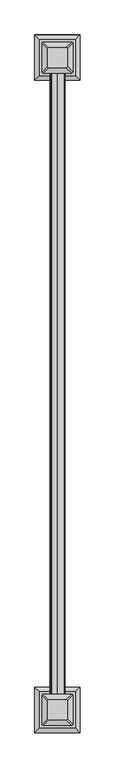
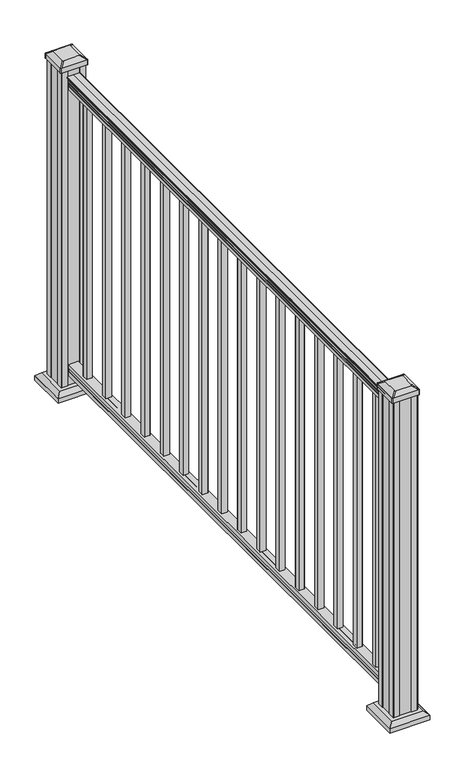
"""IFC4 building model written with IfcOpenShell, lengths in millimetres: railing geometry."""

import ifcopenshell
import ifcopenshell.guid

model = None  # the IFC model being written
_history = None  # IfcOwnerHistory: only IFC2X3 demands one
_inside = {}  # id of a spatial element -> (the spatial element, [elements in it])
_under = {}  # id of a project, library or spatial element -> (it, [spatial elements below it])
_declared = {}  # id of a project -> (the project, [libraries it declares])
_typed = {}  # id of a type object -> (the type object, [elements of that type])
_made_of = {}  # id of a material, layer set ... -> (it, [elements and type objects made of it])


def new_model(schema):
    """Start an empty IFC model of exactly this schema.

    Asked for "IFC4X3", IfcOpenShell would pick the latest addendum, in which some entities
    have other attributes; the version numbers below select the first issue.
    IFC2X3 requires an IfcOwnerHistory on every rooted entity: one is made here for all.
    """
    global model, _history
    if schema == "IFC4X3":
        model = ifcopenshell.file(schema_version=(4, 3, 0, 0))
    else:
        model = ifcopenshell.file(schema=schema)
    _inside.clear()
    _under.clear()
    _declared.clear()
    _typed.clear()
    _made_of.clear()
    _history = None
    if model.schema == "IFC2X3":
        org = make("IfcOrganization", Name="unknown")
        user = make(
            "IfcPersonAndOrganization",
            ThePerson=make("IfcPerson", FamilyName="unknown"),
            TheOrganization=org,
        )
        app = make(
            "IfcApplication",
            ApplicationDeveloper=org,
            Version="unknown",
            ApplicationFullName="unknown",
            ApplicationIdentifier="unknown",
        )
        _history = make(
            "IfcOwnerHistory",
            OwningUser=user,
            OwningApplication=app,
            ChangeAction="ADDED",
            CreationDate=0,
        )
    return model


def make(cls, **values):
    """One entity of the class cls with the attributes given. An attribute that is None is left unset."""
    return model.create_entity(
        cls, **{name: value for name, value in values.items() if value is not None}
    )


def rooted(cls, **values):
    """An entity with a GlobalId (a new one), such as an element, a storey or a relation."""
    return make(cls, GlobalId=ifcopenshell.guid.new(), OwnerHistory=_history, **values)


def si_unit(unit_type, name, prefix=None):
    """IfcSIUnit, for example si_unit("LENGTHUNIT", "METRE", prefix="MILLI")."""
    return make("IfcSIUnit", UnitType=unit_type, Prefix=prefix, Name=name)


def assignment(units):
    """IfcUnitAssignment: the units of a project."""
    return None if units is None else make("IfcUnitAssignment", Units=units)


def point(xyz):
    """IfcCartesianPoint."""
    return None if xyz is None else make("IfcCartesianPoint", Coordinates=xyz)


def direction(xyz):
    """IfcDirection."""
    return None if xyz is None else make("IfcDirection", DirectionRatios=xyz)


def frame(location, z_axis=None, x_axis=None):
    """IfcAxis2Placement3D, a coordinate frame: its origin and axes. An axis left out is left unset."""
    return make(
        "IfcAxis2Placement3D",
        Location=point(location),
        Axis=direction(z_axis),
        RefDirection=direction(x_axis),
    )


def frame_2d(location, x_axis=None):
    """IfcAxis2Placement2D, a coordinate frame in the plane: its origin and x axis."""
    return make(
        "IfcAxis2Placement2D", Location=point(location), RefDirection=direction(x_axis)
    )


def origin():
    """The frame at (0, 0, 0) with its axes left unset."""
    return frame((0.0, 0.0, 0.0))


def origin_with_axes():
    """The frame at (0, 0, 0) with the z axis (0, 0, 1) and the x axis (1, 0, 0) written out."""
    return frame((0.0, 0.0, 0.0), z_axis=(0.0, 0.0, 1.0), x_axis=(1.0, 0.0, 0.0))


def place(relative_to, where):
    """IfcLocalPlacement: puts the frame where relative to a parent placement (None: the world)."""
    return make(
        "IfcLocalPlacement", PlacementRelTo=relative_to, RelativePlacement=where
    )


def context(
    kind, dimensions, precision=None, world=None, true_north=None, identifier=None
):
    """IfcGeometricRepresentationContext, for example the 3D "Model" context."""
    return make(
        "IfcGeometricRepresentationContext",
        ContextIdentifier=identifier,
        ContextType=kind,
        CoordinateSpaceDimension=dimensions,
        Precision=precision,
        WorldCoordinateSystem=world,
        TrueNorth=true_north,
    )


def project(units=None, contexts=None):
    """IfcProject with its units and contexts."""
    return rooted(
        "IfcProject",
        Name="project",
        RepresentationContexts=contexts,
        UnitsInContext=assignment(units),
    )


def spatial(cls, under=None, at=None, **own):
    """A site, building, storey or space (cls), placed at a placement, below another one or the project."""
    s = rooted(cls, ObjectPlacement=at, **own)
    if under is not None:
        _under.setdefault(under.id(), (under, []))[1].append(s)
    return s


def polyline(points):
    """IfcPolyline through the points."""
    return make("IfcPolyline", Points=[point(p) for p in points])


def circle_curve(where, radius):
    """IfcCircle in the frame where."""
    return make("IfcCircle", Position=where, Radius=radius)


def trimmed(basis, trim1, trim2, sense, master):
    """IfcTrimmedCurve: the piece of a basis curve between two trims."""
    return make(
        "IfcTrimmedCurve",
        BasisCurve=basis,
        Trim1=trim1,
        Trim2=trim2,
        SenseAgreement=sense,
        MasterRepresentation=master,
    )


def segment(curve, same_sense, transition):
    """IfcCompositeCurveSegment."""
    return make(
        "IfcCompositeCurveSegment",
        Transition=transition,
        SameSense=same_sense,
        ParentCurve=curve,
    )


def composite_curve(segments, self_intersect=None):
    """IfcCompositeCurve: segments joined end to end."""
    return make("IfcCompositeCurve", Segments=segments, SelfIntersect=self_intersect)


def outline(outer, holes=None, kind="AREA"):
    """IfcArbitraryClosedProfileDef: a profile drawn as a closed curve; with holes, ...WithVoids."""
    if holes is None:
        return make("IfcArbitraryClosedProfileDef", ProfileType=kind, OuterCurve=outer)
    return make(
        "IfcArbitraryProfileDefWithVoids",
        ProfileType=kind,
        OuterCurve=outer,
        InnerCurves=holes,
    )


def extrude(swept, where, along, depth):
    """IfcExtrudedAreaSolid: the profile swept, set in the frame where, extruded along a direction by depth."""
    return make(
        "IfcExtrudedAreaSolid",
        SweptArea=swept,
        Position=where,
        ExtrudedDirection=direction(along),
        Depth=depth,
    )


def faces_of(points, faces, orient=None, outer=None):
    """IfcFace entities. A face is a list of loops; a loop is a list of indices into points, from 0.

    orient and outer hold one flag for each loop. By default every Orientation is true, the
    first loop of a face is its IfcFaceOuterBound and the others are IfcFaceBound.
    """
    made = []
    for i, loops in enumerate(faces):
        bounds = []
        for j, loop in enumerate(loops):
            is_outer = j == 0 if outer is None else outer[i][j]
            bounds.append(
                make(
                    "IfcFaceOuterBound" if is_outer else "IfcFaceBound",
                    Bound=make("IfcPolyLoop", Polygon=[points[k] for k in loop]),
                    Orientation=True if orient is None else orient[i][j],
                )
            )
        made.append(make("IfcFace", Bounds=bounds))
    return made


def faceted_brep(points, faces, orient=None, outer=None, voids=None):
    """IfcFacetedBrep: a solid bounded by flat faces; with voids (closed shells), ...WithVoids."""
    shared = [point(p) for p in points]
    hull = make("IfcClosedShell", CfsFaces=faces_of(shared, faces, orient, outer))
    if voids is None:
        return make("IfcFacetedBrep", Outer=hull)
    return make(
        "IfcFacetedBrepWithVoids",
        Outer=hull,
        Voids=[
            make(cls, CfsFaces=faces_of(shared, fs, o, b)) for cls, fs, o, b in voids
        ],
    )


def shape(context_of_items, identifier, shape_type, items):
    """IfcShapeRepresentation: the items that make up one representation, for example the "Body"."""
    return make(
        "IfcShapeRepresentation",
        ContextOfItems=context_of_items,
        RepresentationIdentifier=identifier,
        RepresentationType=shape_type,
        Items=items,
    )


def source(mapping_origin, context_of_items, identifier, shape_type, items):
    """IfcRepresentationMap: a shape defined once, which mapped items show again and again."""
    return make(
        "IfcRepresentationMap",
        MappingOrigin=mapping_origin,
        MappedRepresentation=shape(context_of_items, identifier, shape_type, items),
    )


def transform(
    local_origin,
    x_axis=None,
    y_axis=None,
    z_axis=None,
    scale=None,
    scale2=None,
    scale3=None,
    uniform=True,
):
    """IfcCartesianTransformationOperator3D, or its non-uniform kind. x_axis, y_axis, z_axis: its Axis1, 2, 3."""
    if uniform:
        return make(
            "IfcCartesianTransformationOperator3D",
            Axis1=direction(x_axis),
            Axis2=direction(y_axis),
            LocalOrigin=point(local_origin),
            Scale=scale,
            Axis3=direction(z_axis),
        )
    return make(
        "IfcCartesianTransformationOperator3DnonUniform",
        Axis1=direction(x_axis),
        Axis2=direction(y_axis),
        LocalOrigin=point(local_origin),
        Scale=scale,
        Axis3=direction(z_axis),
        Scale2=scale2,
        Scale3=scale3,
    )


def mapped(mapping_source, mapping_target):
    """IfcMappedItem: shows the shape of a source again, moved by a transform."""
    return make(
        "IfcMappedItem", MappingSource=mapping_source, MappingTarget=mapping_target
    )


def made_of(thing, what):
    """Note that an element or type object is made of a material, layer set ...; save() writes the relation."""
    if what is not None:
        _made_of.setdefault(what.id(), (what, []))[1].append(thing)
    return thing


def element(
    cls,
    number,
    at=None,
    inside=None,
    cuts=None,
    type_object=None,
    material=None,
    context=None,
    identifier="Body",
    shape_type=None,
    held_by="IfcProductDefinitionShape",
    body=None,
    shapes=None,
    **own,
):
    """One element of the class cls, such as IfcWall. Its Tag is "e" and its number.

    at: its placement. inside: the storey or other place that contains it. cuts: it is an
    opening in that element (IfcRelVoidsElement). A single representation is given by context,
    identifier, shape_type and body (its items); several are given by shapes. held_by: the class
    of the entity that holds the representations. save() writes the other relations.
    """
    e = rooted(cls, Tag="e%d" % number, ObjectPlacement=at, **own)
    if body is not None:
        shapes = [shape(context, identifier, shape_type, body)]
    if shapes is not None:
        e.Representation = make(held_by, Representations=shapes)
    if inside is not None:
        _inside.setdefault(inside.id(), (inside, []))[1].append(e)
    if cuts is not None:
        rooted(
            "IfcRelVoidsElement", RelatingBuildingElement=cuts, RelatedOpeningElement=e
        )
    if type_object is not None:
        _typed.setdefault(type_object.id(), (type_object, []))[1].append(e)
    return made_of(e, material)


def aggregate(whole, parts):
    """IfcRelAggregates: a whole, such as a stair, and the parts it consists of."""
    return rooted("IfcRelAggregates", RelatingObject=whole, RelatedObjects=parts)


def save(model, path):
    """Write the relations noted so far, then the file.

    IfcRelAggregates (storeys below a building ...), IfcRelContainedInSpatialStructure (elements
    in a storey), IfcRelDefinesByType, IfcRelAssociatesMaterial and IfcRelDeclares: one each for
    every whole, place, type object, material and project.
    """
    for whole, parts in _under.values():
        aggregate(whole, parts)
    for where, things in _inside.values():
        rooted(
            "IfcRelContainedInSpatialStructure",
            RelatedElements=things,
            RelatingStructure=where,
        )
    for kind, things in _typed.values():
        rooted("IfcRelDefinesByType", RelatedObjects=things, RelatingType=kind)
    for what, things in _made_of.values():
        rooted("IfcRelAssociatesMaterial", RelatedObjects=things, RelatingMaterial=what)
    for by, libraries in _declared.values():
        rooted("IfcRelDeclares", RelatingContext=by, RelatedDefinitions=libraries)
    model.write(path)


def plane_surface(at):
    """IfcPlane: the flat surface through the origin of the frame at, square to its z axis."""
    return make("IfcPlane", Position=at)


def cylinder_surface(at, radius):
    """IfcCylindricalSurface: all points at the distance radius from the z axis of the frame at."""
    return make("IfcCylindricalSurface", Position=at, Radius=radius)


def revolved_surface(curve, axis_point, axis_direction):
    """IfcSurfaceOfRevolution: the curve turned about the line through axis_point along axis_direction."""
    return make(
        "IfcSurfaceOfRevolution",
        SweptCurve=make("IfcArbitraryOpenProfileDef", ProfileType="CURVE", Curve=curve),
        AxisPosition=make("IfcAxis1Placement", Location=point(axis_point), Axis=direction(axis_direction)),
    )


def extruded_surface(curve, direction_of_extrusion, depth):
    """IfcSurfaceOfLinearExtrusion: the curve pushed along a direction by depth."""
    return make(
        "IfcSurfaceOfLinearExtrusion",
        SweptCurve=make("IfcArbitraryOpenProfileDef", ProfileType="CURVE", Curve=curve),
        ExtrudedDirection=direction(direction_of_extrusion),
        Depth=depth,
    )


def advanced_brep(points, edges, surfaces, faces):
    """IfcAdvancedBrep: a solid bounded by faces that lie on surfaces and meet in shared edges.

    An edge is (start, end): straight between two places in points (the first is 0);
    or (start, end, curve); or (start, end, curve, False) where it runs against its curve.
    A face is (place in surfaces, loops), or (place, loops, False) where it looks against
    its surface's normal. A loop lists edges by number (the first is 1), with a minus sign
    where the edge is run from its end to its start. The first loop is the outer one.
    """
    corners = [point(p) for p in points]
    vertices = [make("IfcVertexPoint", VertexGeometry=c) for c in corners]
    made = []
    for start, end, *more in edges:
        made.append(
            make(
                "IfcEdgeCurve",
                EdgeStart=vertices[start],
                EdgeEnd=vertices[end],
                EdgeGeometry=more[0] if more else make("IfcPolyline", Points=[corners[start], corners[end]]),
                SameSense=more[1] if len(more) > 1 else True,
            )
        )
    hull = []
    for where, loops, *sense in faces:
        bounds = []
        for j, loop in enumerate(loops):
            ring = [make("IfcOrientedEdge", EdgeElement=made[abs(k) - 1], Orientation=k > 0) for k in loop]
            bounds.append(
                make(
                    "IfcFaceOuterBound" if j == 0 else "IfcFaceBound",
                    Bound=make("IfcEdgeLoop", EdgeList=ring),
                    Orientation=True,
                )
            )
        hull.append(make("IfcAdvancedFace", Bounds=bounds, FaceSurface=surfaces[where], SameSense=sense[0] if sense else True))
    return make("IfcAdvancedBrep", Outer=make("IfcClosedShell", CfsFaces=hull))


def railing_62bc4d82(model_context):
    return source(origin(), model_context, "Body", "SolidModel", [
        advanced_brep(
        [(3607.9291125, 2199.2700183, 1090.8043297), (3610.5029412, 2199.2700183, 1090.8043297), (3610.5029412, 2199.2700183, 1080.147013), (3609.4869412, 2199.2700183, 1079.131013), (3609.4869412, 2199.2700183, 1066.8), (3641.2369412, 2199.2700183, 1066.8), (3641.2369412, 2199.2700183, 1079.2888283), (3640.2209412, 2199.2700183, 1080.3048283), (3640.2209412, 2199.2700183, 1090.8043297), (3642.7947699, 2199.2700183, 1090.8043297), (3642.7947699, 2199.2700183, 1092.692412), (3643.9249562, 2199.2700183, 1094.2546695), (3643.9249562, 2199.2700183, 1101.4726458), (3643.2756998, 2199.2700183, 1103.9060812), (3645.7756998, 2199.2700183, 1108.2362083), (3647.1850423, 2199.2700183, 1109.9157972), (3647.5869413, 2199.2700183, 1111.0205318), (3647.5869412, 2199.2700183, 1112.3608158), (3646.033494, 2199.2700183, 1113.914263), (3625.3619412, 2199.2700183, 1113.914263), (3604.6903884, 2199.2700183, 1113.914263), (3603.1369412, 2199.2700183, 1112.3608158), (3603.1369412, 2199.2700183, 1111.0205318), (3603.5388401, 2199.2700183, 1109.9157972), (3604.9481826, 2199.2700183, 1108.2362083), (3607.4481826, 2199.2700183, 1103.9060812), (3606.7989262, 2199.2700183, 1101.4726458), (3606.7989262, 2199.2700183, 1094.2546695), (3607.9291125, 2199.2700183, 1092.692412), (3607.9291125, 4028.0700183, 1090.8043297), (3607.9291125, 4028.0700183, 1092.692412), (3606.7989262, 4028.0700183, 1094.2546695), (3606.7989262, 4028.0700183, 1101.4726458), (3607.4481826, 4028.0700183, 1103.9060812), (3604.9481826, 4028.0700183, 1108.2362083), (3603.5388401, 4028.0700183, 1109.9157972), (3603.1369411, 4028.0700183, 1111.0205318), (3603.1369412, 4028.0700183, 1112.3608158), (3604.6903884, 4028.0700183, 1113.914263), (3625.3619412, 4028.0700183, 1113.914263), (3646.033494, 4028.0700183, 1113.914263), (3647.5869412, 4028.0700183, 1112.3608158), (3647.5869412, 4028.0700183, 1111.0205318), (3647.1850423, 4028.0700183, 1109.9157972), (3645.7756998, 4028.0700183, 1108.2362083), (3643.2756998, 4028.0700183, 1103.9060812), (3643.9249562, 4028.0700183, 1101.4726458), (3643.9249562, 4028.0700183, 1094.2546695), (3642.7947699, 4028.0700183, 1092.692412), (3642.7947699, 4028.0700183, 1090.8043297), (3640.2209412, 4028.0700183, 1090.8043297), (3640.2209412, 4028.0700183, 1080.3048283), (3641.2369412, 4028.0700183, 1079.2888283), (3641.2369412, 4028.0700183, 1066.8), (3609.4869412, 4028.0700183, 1066.8), (3609.4869412, 4028.0700183, 1079.131013), (3610.5029412, 4028.0700183, 1080.147013), (3610.5029412, 4028.0700183, 1090.8043297)],
        [
            (0, 1, circle_curve(frame((3609.2160268, 2199.2700183, 1090.8043297), z_axis=(0.0, -1.0, 0.0), x_axis=(1.0, 0.0, 0.0)), 1.2869144)),
            (1, 2),
            (2, 3),
            (3, 4),
            (4, 5),
            (5, 6),
            (6, 7),
            (7, 8),
            (8, 9, circle_curve(frame((3641.5078556, 2199.2700183, 1090.8043297), z_axis=(0.0, -1.0, 0.0), x_axis=(-1.0, 0.0, 0.0)), 1.2869144)),
            (9, 10),
            (10, 11, circle_curve(frame((3636.4800167, 2199.2700183, 1098.4506383), z_axis=(0.0, -1.0, 0.0), x_axis=(-1.0, 0.0, 0.0)), 8.545951)),
            (11, 12, circle_curve(frame((3636.9170796, 2199.2700183, 1097.8636577), z_axis=(0.0, -1.0, 0.0), x_axis=(-1.0, 0.0, 0.0)), 7.882584)),
            (12, 13, circle_curve(frame((3647.4304038, 2199.2700183, 1103.7112527), z_axis=(0.0, 1.0, 0.0), x_axis=(-1.0, 0.0, 0.0)), 4.1592695)),
            (13, 14, circle_curve(frame((3648.7177103, 2199.2700183, 1103.6508864), z_axis=(0.0, 1.0, 0.0), x_axis=(-1.0, 0.0, 0.0)), 5.4479907)),
            (14, 15, circle_curve(frame((3647.4845519, 2199.2700183, 1108.233395), z_axis=(0.0, 1.0, 0.0), x_axis=(-1.0, 0.0, 0.0)), 1.7088543)),
            (15, 16, circle_curve(frame((3645.8676518, 2199.2700183, 1111.0205318), z_axis=(0.0, -1.0, 0.0), x_axis=(-1.0, 0.0, 0.0)), 1.7192895)),
            (16, 17),
            (17, 18, circle_curve(frame((3646.033494, 2199.2700183, 1112.3608158), z_axis=(0.0, -1.0, 0.0), x_axis=(-1.0, 0.0, 0.0)), 1.5534472)),
            (18, 19),
            (19, 20),
            (20, 21, circle_curve(frame((3604.6903884, 2199.2700183, 1112.3608158), z_axis=(0.0, -1.0, 0.0), x_axis=(1.0, 0.0, 0.0)), 1.5534472)),
            (21, 22),
            (22, 23, circle_curve(frame((3604.8562306, 2199.2700183, 1111.0205318), z_axis=(0.0, -1.0, 0.0), x_axis=(1.0, 0.0, 0.0)), 1.7192895)),
            (23, 24, circle_curve(frame((3603.2393305, 2199.2700183, 1108.233395), z_axis=(0.0, 1.0, 0.0), x_axis=(1.0, 0.0, 0.0)), 1.7088543)),
            (24, 25, circle_curve(frame((3602.0061721, 2199.2700183, 1103.6508864), z_axis=(0.0, 1.0, 0.0), x_axis=(1.0, 0.0, 0.0)), 5.4479907)),
            (25, 26, circle_curve(frame((3603.2934787, 2199.2700183, 1103.7112527), z_axis=(0.0, 1.0, 0.0), x_axis=(1.0, 0.0, 0.0)), 4.1592695)),
            (26, 27, circle_curve(frame((3613.8068028, 2199.2700183, 1097.8636577), z_axis=(0.0, -1.0, 0.0), x_axis=(1.0, 0.0, 0.0)), 7.882584)),
            (27, 28, circle_curve(frame((3614.2438658, 2199.2700183, 1098.4506383), z_axis=(0.0, -1.0, 0.0), x_axis=(1.0, 0.0, 0.0)), 8.545951)),
            (28, 0),
            (29, 30),
            (30, 31, circle_curve(frame((3614.2438658, 4028.0700183, 1098.4506383), z_axis=(0.0, 1.0, 0.0), x_axis=(1.0, 0.0, 0.0)), 8.545951)),
            (31, 32, circle_curve(frame((3613.8068028, 4028.0700183, 1097.8636577), z_axis=(0.0, 1.0, 0.0), x_axis=(1.0, 0.0, 0.0)), 7.882584)),
            (32, 33, circle_curve(frame((3603.2934787, 4028.0700183, 1103.7112527), z_axis=(0.0, -1.0, 0.0), x_axis=(1.0, 0.0, 0.0)), 4.1592695)),
            (33, 34, circle_curve(frame((3602.0061721, 4028.0700183, 1103.6508864), z_axis=(0.0, -1.0, 0.0), x_axis=(1.0, 0.0, 0.0)), 5.4479907)),
            (34, 35, circle_curve(frame((3603.2393305, 4028.0700183, 1108.233395), z_axis=(0.0, -1.0, 0.0), x_axis=(1.0, 0.0, 0.0)), 1.7088543)),
            (35, 36, circle_curve(frame((3604.8562306, 4028.0700183, 1111.0205318), z_axis=(0.0, 1.0, 0.0), x_axis=(1.0, 0.0, 0.0)), 1.7192895)),
            (36, 37),
            (37, 38, circle_curve(frame((3604.6903884, 4028.0700183, 1112.3608158), z_axis=(0.0, 1.0, 0.0), x_axis=(1.0, 0.0, 0.0)), 1.5534472)),
            (38, 39),
            (39, 40),
            (40, 41, circle_curve(frame((3646.033494, 4028.0700183, 1112.3608158), z_axis=(0.0, 1.0, 0.0), x_axis=(-1.0, 0.0, 0.0)), 1.5534472)),
            (41, 42),
            (42, 43, circle_curve(frame((3645.8676518, 4028.0700183, 1111.0205318), z_axis=(0.0, 1.0, 0.0), x_axis=(-1.0, 0.0, 0.0)), 1.7192895)),
            (43, 44, circle_curve(frame((3647.4845519, 4028.0700183, 1108.233395), z_axis=(0.0, -1.0, 0.0), x_axis=(-1.0, 0.0, 0.0)), 1.7088543)),
            (44, 45, circle_curve(frame((3648.7177103, 4028.0700183, 1103.6508864), z_axis=(0.0, -1.0, 0.0), x_axis=(-1.0, 0.0, 0.0)), 5.4479907)),
            (45, 46, circle_curve(frame((3647.4304038, 4028.0700183, 1103.7112527), z_axis=(0.0, -1.0, 0.0), x_axis=(-1.0, 0.0, 0.0)), 4.1592695)),
            (46, 47, circle_curve(frame((3636.9170796, 4028.0700183, 1097.8636577), z_axis=(0.0, 1.0, 0.0), x_axis=(-1.0, 0.0, 0.0)), 7.882584)),
            (47, 48, circle_curve(frame((3636.4800167, 4028.0700183, 1098.4506383), z_axis=(0.0, 1.0, 0.0), x_axis=(-1.0, 0.0, 0.0)), 8.545951)),
            (48, 49),
            (49, 50, circle_curve(frame((3641.5078556, 4028.0700183, 1090.8043297), z_axis=(0.0, 1.0, 0.0), x_axis=(-1.0, 0.0, 0.0)), 1.2869144)),
            (50, 51),
            (51, 52),
            (52, 53),
            (53, 54),
            (54, 55),
            (55, 56),
            (56, 57),
            (57, 29, circle_curve(frame((3609.2160268, 4028.0700183, 1090.8043297), z_axis=(0.0, 1.0, 0.0), x_axis=(1.0, 0.0, 0.0)), 1.2869144)),
            (0, 29),
            (57, 1),
            (56, 2),
            (55, 3),
            (54, 4),
            (53, 5),
            (52, 6),
            (51, 7),
            (50, 8),
            (49, 9),
            (48, 10),
            (47, 11),
            (46, 12),
            (45, 13),
            (44, 14),
            (43, 15),
            (42, 16),
            (41, 17),
            (40, 18),
            (39, 19),
            (38, 20),
            (37, 21),
            (36, 22),
            (35, 23),
            (34, 24),
            (33, 25),
            (32, 26),
            (31, 27),
            (30, 28),
        ],
        [
            plane_surface(frame((3625.3619412, 2199.2700183, 1066.8), z_axis=(0.0, -1.0, 0.0), x_axis=(0.0, 0.0, 1.0))),
            plane_surface(frame((3625.3619412, 4028.0700183, 1066.8), z_axis=(0.0, 1.0, 0.0), x_axis=(0.0, 0.0, 1.0))),
            cylinder_surface(frame((3609.2160268, 2199.2700183, 1090.8043297), z_axis=(0.0, -1.0, 0.0), x_axis=(1.0, 0.0, 0.0)), 1.2869144),
            plane_surface(frame((3610.5029412, 2199.2700183, 1090.8043297), z_axis=(-1.0, 0.0, 0.0), x_axis=(0.0, 1.0, 0.0))),
            plane_surface(frame((3610.5029412, 2199.2700183, 1080.147013), z_axis=(-0.7071067811865395, 0.0, 0.7071067811865556), x_axis=(0.0, 1.0, 0.0))),
            plane_surface(frame((3609.4869412, 2199.2700183, 1079.131013), z_axis=(-1.0, 0.0, 0.0), x_axis=(0.0, 1.0, 0.0))),
            plane_surface(frame((3609.4869412, 2199.2700183, 1066.8), z_axis=(0.0, 0.0, -1.0), x_axis=(0.0, 1.0, 0.0))),
            plane_surface(frame((3641.2369412, 2199.2700183, 1066.8), z_axis=(1.0, 0.0, 0.0), x_axis=(0.0, 1.0, 0.0))),
            plane_surface(frame((3641.2369412, 2199.2700183, 1079.2888283), z_axis=(0.7071067811865432, 0.0, 0.707106781186552), x_axis=(0.0, 1.0, 0.0))),
            plane_surface(frame((3640.2209412, 2199.2700183, 1080.3048283), z_axis=(1.0, 0.0, 0.0), x_axis=(0.0, 1.0, 0.0))),
            cylinder_surface(frame((3641.5078556, 2199.2700183, 1090.8043297), z_axis=(0.0, -1.0, 0.0), x_axis=(-1.0, 0.0, 0.0)), 1.2869144),
            plane_surface(frame((3642.7947699, 2199.2700183, 1090.8043297), z_axis=(1.0, 0.0, 0.0), x_axis=(0.0, 1.0, 0.0))),
            cylinder_surface(frame((3636.4800167, 2199.2700183, 1098.4506383), z_axis=(0.0, -1.0, 0.0), x_axis=(-1.0, 0.0, 0.0)), 8.545951),
            cylinder_surface(frame((3636.9170796, 2199.2700183, 1097.8636577), z_axis=(0.0, -1.0, 0.0), x_axis=(-1.0, 0.0, 0.0)), 7.882584),
            revolved_surface(polyline([(3643.2711343, 4028.0700183, 1103.7112527), (3643.2711343, 2199.2700183, 1103.7112527)]), (3647.4304038, 2199.2700183, 1103.7112527), (0.0, 1.0, 0.0)),
            revolved_surface(polyline([(3643.2697196, 4028.0700183, 1103.6508864), (3643.2697196, 2199.2700183, 1103.6508864)]), (3648.7177103, 2199.2700183, 1103.6508864), (0.0, 1.0, 0.0)),
            revolved_surface(polyline([(3645.7756976, 4028.0700183, 1108.233395), (3645.7756976, 2199.2700183, 1108.233395)]), (3647.4845519, 2199.2700183, 1108.233395), (0.0, 1.0, 0.0)),
            cylinder_surface(frame((3645.8676518, 2199.2700183, 1111.0205318), z_axis=(0.0, -1.0, 0.0), x_axis=(-1.0, 0.0, 0.0)), 1.7192895),
            plane_surface(frame((3647.5869412, 2199.2700183, 1111.0205318), z_axis=(1.0, 0.0, 0.0), x_axis=(0.0, 1.0, 0.0))),
            cylinder_surface(frame((3646.033494, 2199.2700183, 1112.3608158), z_axis=(0.0, -1.0, 0.0), x_axis=(-1.0, 0.0, 0.0)), 1.5534472),
            plane_surface(frame((3646.033494, 2199.2700183, 1113.914263), z_axis=(0.0, 0.0, 1.0), x_axis=(0.0, 1.0, 0.0))),
            plane_surface(frame((3625.3619412, 2199.2700183, 1113.914263), z_axis=(0.0, 0.0, 1.0), x_axis=(0.0, 1.0, 0.0))),
            cylinder_surface(frame((3604.6903884, 2199.2700183, 1112.3608158), z_axis=(0.0, -1.0, 0.0), x_axis=(1.0, 0.0, 0.0)), 1.5534472),
            plane_surface(frame((3603.1369412, 2199.2700183, 1112.3608158), z_axis=(-1.0, 0.0, 0.0), x_axis=(0.0, 1.0, 0.0))),
            cylinder_surface(frame((3604.8562306, 2199.2700183, 1111.0205318), z_axis=(0.0, -1.0, 0.0), x_axis=(1.0, 0.0, 0.0)), 1.7192895),
            revolved_surface(polyline([(3604.9481848, 4028.0700183, 1108.233395), (3604.9481848, 2199.2700183, 1108.233395)]), (3603.2393305, 2199.2700183, 1108.233395), (0.0, 1.0, 0.0)),
            revolved_surface(polyline([(3607.4541628, 4028.0700183, 1103.6508864), (3607.4541628, 2199.2700183, 1103.6508864)]), (3602.0061721, 2199.2700183, 1103.6508864), (0.0, 1.0, 0.0)),
            revolved_surface(polyline([(3607.4527482, 4028.0700183, 1103.7112527), (3607.4527482, 2199.2700183, 1103.7112527)]), (3603.2934787, 2199.2700183, 1103.7112527), (0.0, 1.0, 0.0)),
            cylinder_surface(frame((3613.8068028, 2199.2700183, 1097.8636577), z_axis=(0.0, -1.0, 0.0), x_axis=(1.0, 0.0, 0.0)), 7.882584),
            cylinder_surface(frame((3614.2438658, 2199.2700183, 1098.4506383), z_axis=(0.0, -1.0, 0.0), x_axis=(1.0, 0.0, 0.0)), 8.545951),
            plane_surface(frame((3607.9291125, 2199.2700183, 1092.692412), z_axis=(-1.0, 0.0, 0.0), x_axis=(0.0, 1.0, 0.0))),
        ],
        [
            (0, [[1, 2, 3, 4, 5, 6, 7, 8, 9, 10, 11, 12, 13, 14, 15, 16, 17, 18, 19, 20, 21, 22, 23, 24, 25, 26, 27, 28, 29]]),
            (1, [[30, 31, 32, 33, 34, 35, 36, 37, 38, 39, 40, 41, 42, 43, 44, 45, 46, 47, 48, 49, 50, 51, 52, 53, 54, 55, 56, 57, 58]]),
            (2, [[-1, 59, -58, 60]]),
            (3, [[-2, -60, -57, 61]]),
            (4, [[-3, -61, -56, 62]]),
            (5, [[-4, -62, -55, 63]]),
            (6, [[-5, -63, -54, 64]]),
            (7, [[-6, -64, -53, 65]]),
            (8, [[-7, -65, -52, 66]]),
            (9, [[-8, -66, -51, 67]]),
            (10, [[-9, -67, -50, 68]]),
            (11, [[-10, -68, -49, 69]]),
            (12, [[-11, -69, -48, 70]]),
            (13, [[-12, -70, -47, 71]]),
            (14, [[-13, -71, -46, 72]]),
            (15, [[-14, -72, -45, 73]]),
            (16, [[-15, -73, -44, 74]]),
            (17, [[-16, -74, -43, 75]]),
            (18, [[-17, -75, -42, 76]]),
            (19, [[-18, -76, -41, 77]]),
            (20, [[-19, -77, -40, 78]]),
            (21, [[-20, -78, -39, 79]]),
            (22, [[-21, -79, -38, 80]]),
            (23, [[-22, -80, -37, 81]]),
            (24, [[-23, -81, -36, 82]]),
            (25, [[-24, -82, -35, 83]]),
            (26, [[-25, -83, -34, 84]]),
            (27, [[-26, -84, -33, 85]]),
            (28, [[-27, -85, -32, 86]]),
            (29, [[-28, -86, -31, 87]]),
            (30, [[-29, -87, -30, -59]]),
        ],
    ),
        faceted_brep([(3609.4494543, 2199.2700183, 76.0541976), (3609.4494543, 2199.2700183, 63.5), (3641.1994543, 2199.2700183, 63.5), (3641.1994543, 2199.2700183, 76.0375508), (3640.1834543, 2199.2700183, 77.3858283), (3640.1834543, 2199.2700183, 87.6975248), (3641.1994543, 2199.2700183, 89.0458024), (3641.1994543, 2199.2700183, 101.5958781), (3609.4494543, 2199.2700183, 101.5958781), (3609.4494543, 2199.2700183, 89.0624492), (3610.4654543, 2199.2700183, 87.7141717), (3610.4654543, 2199.2700183, 77.3546183), (3609.4494543, 4028.0700183, 76.0541976), (3610.4654543, 4028.0700183, 77.3546183), (3610.4654543, 4028.0700183, 87.7141717), (3609.4494543, 4028.0700183, 89.0624492), (3609.4494543, 4028.0700183, 101.5958781), (3641.1994543, 4028.0700183, 101.5958781), (3641.1994543, 4028.0700183, 89.0458024), (3640.1834543, 4028.0700183, 87.6975248), (3640.1834543, 4028.0700183, 77.3858283), (3641.1994543, 4028.0700183, 76.0375508), (3641.1994543, 4028.0700183, 63.5), (3609.4494543, 4028.0700183, 63.5)], [[[0, 1, 2, 3, 4, 5, 6, 7, 8, 9, 10, 11]], [[12, 13, 14, 15, 16, 17, 18, 19, 20, 21, 22, 23]], [[1, 0, 12, 23]], [[2, 1, 23, 22]], [[3, 2, 22, 21]], [[4, 3, 21, 20]], [[5, 4, 20, 19]], [[6, 5, 19, 18]], [[7, 6, 18, 17]], [[8, 7, 17, 16]], [[9, 8, 16, 15]], [[10, 9, 15, 14]], [[11, 10, 14, 13]], [[0, 11, 13, 12]]]),
        extrude(outline(polyline([(3615.8369412, 3937.5825183), (3615.8369412, 3956.6325183), (3634.8869412, 3956.6325183), (3634.8869412, 3937.5825183), (3615.8369412, 3937.5825183)]), holes=[polyline([(3616.2338162, 3937.9793933), (3634.4900662, 3937.9793933), (3634.4900662, 3956.2356433), (3616.2338162, 3956.2356433), (3616.2338162, 3937.9793933)])]), frame((0.0, 0.0, 101.5958781), z_axis=(0.0, 0.0, 1.0), x_axis=(1.0, 0.0, 0.0)), (0.0, 0.0, 1.0), 965.2041219),
        extrude(outline(polyline([(3615.8369412, 3826.4575183), (3615.8369412, 3845.5075183), (3634.8869412, 3845.5075183), (3634.8869412, 3826.4575183), (3615.8369412, 3826.4575183)]), holes=[polyline([(3616.2338162, 3826.8543933), (3634.4900662, 3826.8543933), (3634.4900662, 3845.1106433), (3616.2338162, 3845.1106433), (3616.2338162, 3826.8543933)])]), frame((0.0, 0.0, 101.5958781), z_axis=(0.0, 0.0, 1.0), x_axis=(1.0, 0.0, 0.0)), (0.0, 0.0, 1.0), 965.2041219),
        extrude(outline(polyline([(3615.8369412, 3715.3325183), (3615.8369412, 3734.3825183), (3634.8869412, 3734.3825183), (3634.8869412, 3715.3325183), (3615.8369412, 3715.3325183)]), holes=[polyline([(3616.2338162, 3715.7293933), (3634.4900662, 3715.7293933), (3634.4900662, 3733.9856433), (3616.2338162, 3733.9856433), (3616.2338162, 3715.7293933)])]), frame((0.0, 0.0, 101.5958781), z_axis=(0.0, 0.0, 1.0), x_axis=(1.0, 0.0, 0.0)), (0.0, 0.0, 1.0), 965.2041219),
        extrude(outline(polyline([(3615.8369412, 3604.2075183), (3615.8369412, 3623.2575183), (3634.8869412, 3623.2575183), (3634.8869412, 3604.2075183), (3615.8369412, 3604.2075183)]), holes=[polyline([(3616.2338162, 3604.6043933), (3634.4900662, 3604.6043933), (3634.4900662, 3622.8606433), (3616.2338162, 3622.8606433), (3616.2338162, 3604.6043933)])]), frame((0.0, 0.0, 101.5958781), z_axis=(0.0, 0.0, 1.0), x_axis=(1.0, 0.0, 0.0)), (0.0, 0.0, 1.0), 965.2041219),
        extrude(outline(polyline([(3615.8369412, 3493.0825183), (3615.8369412, 3512.1325183), (3634.8869412, 3512.1325183), (3634.8869412, 3493.0825183), (3615.8369412, 3493.0825183)]), holes=[polyline([(3616.2338162, 3493.4793933), (3634.4900662, 3493.4793933), (3634.4900662, 3511.7356433), (3616.2338162, 3511.7356433), (3616.2338162, 3493.4793933)])]), frame((0.0, 0.0, 101.5958781), z_axis=(0.0, 0.0, 1.0), x_axis=(1.0, 0.0, 0.0)), (0.0, 0.0, 1.0), 965.2041219),
        extrude(outline(polyline([(3615.8369412, 3381.9575183), (3615.8369412, 3401.0075183), (3634.8869412, 3401.0075183), (3634.8869412, 3381.9575183), (3615.8369412, 3381.9575183)]), holes=[polyline([(3616.2338162, 3382.3543933), (3634.4900662, 3382.3543933), (3634.4900662, 3400.6106433), (3616.2338162, 3400.6106433), (3616.2338162, 3382.3543933)])]), frame((0.0, 0.0, 101.5958781), z_axis=(0.0, 0.0, 1.0), x_axis=(1.0, 0.0, 0.0)), (0.0, 0.0, 1.0), 965.2041219),
        extrude(outline(polyline([(3615.8369412, 3270.8325183), (3615.8369412, 3289.8825183), (3634.8869412, 3289.8825183), (3634.8869412, 3270.8325183), (3615.8369412, 3270.8325183)]), holes=[polyline([(3616.2338162, 3271.2293933), (3634.4900662, 3271.2293933), (3634.4900662, 3289.4856433), (3616.2338162, 3289.4856433), (3616.2338162, 3271.2293933)])]), frame((0.0, 0.0, 101.5958781), z_axis=(0.0, 0.0, 1.0), x_axis=(1.0, 0.0, 0.0)), (0.0, 0.0, 1.0), 965.2041219),
        extrude(outline(polyline([(3615.8369412, 3159.7075183), (3615.8369412, 3178.7575183), (3634.8869412, 3178.7575183), (3634.8869412, 3159.7075183), (3615.8369412, 3159.7075183)]), holes=[polyline([(3616.2338162, 3160.1043933), (3634.4900662, 3160.1043933), (3634.4900662, 3178.3606433), (3616.2338162, 3178.3606433), (3616.2338162, 3160.1043933)])]), frame((0.0, 0.0, 101.5958781), z_axis=(0.0, 0.0, 1.0), x_axis=(1.0, 0.0, 0.0)), (0.0, 0.0, 1.0), 965.2041219),
        extrude(outline(polyline([(3615.8369412, 3048.5825183), (3615.8369412, 3067.6325183), (3634.8869412, 3067.6325183), (3634.8869412, 3048.5825183), (3615.8369412, 3048.5825183)]), holes=[polyline([(3616.2338162, 3048.9793933), (3634.4900662, 3048.9793933), (3634.4900662, 3067.2356433), (3616.2338162, 3067.2356433), (3616.2338162, 3048.9793933)])]), frame((0.0, 0.0, 101.5958781), z_axis=(0.0, 0.0, 1.0), x_axis=(1.0, 0.0, 0.0)), (0.0, 0.0, 1.0), 965.2041219),
        extrude(outline(polyline([(3615.8369412, 2937.4575183), (3615.8369412, 2956.5075183), (3634.8869412, 2956.5075183), (3634.8869412, 2937.4575183), (3615.8369412, 2937.4575183)]), holes=[polyline([(3616.2338162, 2937.8543933), (3634.4900662, 2937.8543933), (3634.4900662, 2956.1106433), (3616.2338162, 2956.1106433), (3616.2338162, 2937.8543933)])]), frame((0.0, 0.0, 101.5958781), z_axis=(0.0, 0.0, 1.0), x_axis=(1.0, 0.0, 0.0)), (0.0, 0.0, 1.0), 965.2041219),
        extrude(outline(polyline([(3615.8369412, 2826.3325183), (3615.8369412, 2845.3825183), (3634.8869412, 2845.3825183), (3634.8869412, 2826.3325183), (3615.8369412, 2826.3325183)]), holes=[polyline([(3616.2338162, 2826.7293933), (3634.4900662, 2826.7293933), (3634.4900662, 2844.9856433), (3616.2338162, 2844.9856433), (3616.2338162, 2826.7293933)])]), frame((0.0, 0.0, 101.5958781), z_axis=(0.0, 0.0, 1.0), x_axis=(1.0, 0.0, 0.0)), (0.0, 0.0, 1.0), 965.2041219),
        extrude(outline(polyline([(3615.8369412, 2715.2075183), (3615.8369412, 2734.2575183), (3634.8869412, 2734.2575183), (3634.8869412, 2715.2075183), (3615.8369412, 2715.2075183)]), holes=[polyline([(3616.2338162, 2715.6043933), (3634.4900662, 2715.6043933), (3634.4900662, 2733.8606433), (3616.2338162, 2733.8606433), (3616.2338162, 2715.6043933)])]), frame((0.0, 0.0, 101.5958781), z_axis=(0.0, 0.0, 1.0), x_axis=(1.0, 0.0, 0.0)), (0.0, 0.0, 1.0), 965.2041219),
        extrude(outline(polyline([(3615.8369412, 2604.0825183), (3615.8369412, 2623.1325183), (3634.8869412, 2623.1325183), (3634.8869412, 2604.0825183), (3615.8369412, 2604.0825183)]), holes=[polyline([(3616.2338162, 2604.4793933), (3634.4900662, 2604.4793933), (3634.4900662, 2622.7356433), (3616.2338162, 2622.7356433), (3616.2338162, 2604.4793933)])]), frame((0.0, 0.0, 101.5958781), z_axis=(0.0, 0.0, 1.0), x_axis=(1.0, 0.0, 0.0)), (0.0, 0.0, 1.0), 965.2041219),
        extrude(outline(polyline([(3615.8369412, 2492.9575183), (3615.8369412, 2512.0075183), (3634.8869412, 2512.0075183), (3634.8869412, 2492.9575183), (3615.8369412, 2492.9575183)]), holes=[polyline([(3616.2338162, 2493.3543933), (3634.4900662, 2493.3543933), (3634.4900662, 2511.6106433), (3616.2338162, 2511.6106433), (3616.2338162, 2493.3543933)])]), frame((0.0, 0.0, 101.5958781), z_axis=(0.0, 0.0, 1.0), x_axis=(1.0, 0.0, 0.0)), (0.0, 0.0, 1.0), 965.2041219),
        extrude(outline(polyline([(3615.8369412, 2381.8325183), (3615.8369412, 2400.8825183), (3634.8869412, 2400.8825183), (3634.8869412, 2381.8325183), (3615.8369412, 2381.8325183)]), holes=[polyline([(3616.2338162, 2382.2293933), (3634.4900662, 2382.2293933), (3634.4900662, 2400.4856433), (3616.2338162, 2400.4856433), (3616.2338162, 2382.2293933)])]), frame((0.0, 0.0, 101.5958781), z_axis=(0.0, 0.0, 1.0), x_axis=(1.0, 0.0, 0.0)), (0.0, 0.0, 1.0), 965.2041219),
        extrude(outline(polyline([(3615.8369412, 2270.7075183), (3615.8369412, 2289.7575183), (3634.8869412, 2289.7575183), (3634.8869412, 2270.7075183), (3615.8369412, 2270.7075183)]), holes=[polyline([(3616.2338162, 2271.1043933), (3634.4900662, 2271.1043933), (3634.4900662, 2289.3606433), (3616.2338162, 2289.3606433), (3616.2338162, 2271.1043933)])]), frame((0.0, 0.0, 101.5958781), z_axis=(0.0, 0.0, 1.0), x_axis=(1.0, 0.0, 0.0)), (0.0, 0.0, 1.0), 965.2041219),
        faceted_brep([(3572.7760037, 4016.7590808, 28.575), (3677.9478787, 4016.7590808, 28.575), (3677.9478787, 4121.9309558, 28.575), (3572.7760037, 4121.9309558, 28.575), (3558.7365506, 4002.7196276, 15.24), (3558.7365506, 4135.9704089, 15.24), (3691.9873318, 4135.9704089, 15.24), (3691.9873318, 4002.7196276, 15.24)], [[[0, 1, 2, 3]], [[4, 5, 6, 7]], [[4, 7, 1, 0]], [[7, 6, 2, 1]], [[6, 5, 3, 2]], [[5, 4, 0, 3]]]),
        extrude(outline(polyline([(3558.7365506, 4002.7196276), (3558.7365506, 4135.9704089), (3691.9873318, 4135.9704089), (3691.9873318, 4002.7196276), (3558.7365506, 4002.7196276)])), origin_with_axes(), (0.0, 0.0, 1.0), 15.24),
        advanced_brep(
        [(3651.1588162, 4040.3731433, 1165.225), (3654.3338162, 4043.5481433, 1165.225), (3654.3338162, 4095.1418933, 1165.225), (3651.1588162, 4098.3168933, 1165.225), (3599.5650662, 4098.3168933, 1165.225), (3596.3900662, 4095.1418933, 1165.225), (3596.3900662, 4043.5481433, 1165.225), (3599.5650662, 4040.3731433, 1165.225), (3667.4306912, 4024.1012683, 1153.922), (3583.2931912, 4024.1012683, 1153.922), (3580.1181912, 4027.2762683, 1153.922), (3580.1181912, 4111.4137683, 1153.922), (3583.2931912, 4114.5887683, 1153.922), (3667.4306912, 4114.5887683, 1153.922), (3670.6056912, 4111.4137683, 1153.922), (3670.6056912, 4027.2762683, 1153.922)],
        [
            (0, 1, circle_curve(frame((3651.1588162, 4043.5481433, 1165.225), z_axis=(0.0, 0.0, 1.0), x_axis=(0.0, 1.0, 0.0)), 3.175)),
            (1, 2),
            (2, 3, circle_curve(frame((3651.1588162, 4095.1418933, 1165.225), z_axis=(0.0, 0.0, 1.0), x_axis=(0.0, 1.0, 0.0)), 3.175)),
            (3, 4),
            (4, 5, circle_curve(frame((3599.5650662, 4095.1418933, 1165.225), z_axis=(0.0, 0.0, 1.0), x_axis=(0.0, 1.0, 0.0)), 3.175)),
            (5, 6),
            (6, 7, circle_curve(frame((3599.5650662, 4043.5481433, 1165.225), z_axis=(0.0, 0.0, 1.0), x_axis=(0.0, 1.0, 0.0)), 3.175)),
            (7, 0),
            (8, 9),
            (9, 10, circle_curve(frame((3583.2931912, 4027.2762683, 1153.922), z_axis=(0.0, 0.0, -1.0), x_axis=(0.0, 1.0, 0.0)), 3.175)),
            (10, 11),
            (11, 12, circle_curve(frame((3583.2931912, 4111.4137683, 1153.922), z_axis=(0.0, 0.0, -1.0), x_axis=(0.0, 1.0, 0.0)), 3.175)),
            (12, 13),
            (13, 14, circle_curve(frame((3667.4306912, 4111.4137683, 1153.922), z_axis=(0.0, 0.0, -1.0), x_axis=(0.0, 1.0, 0.0)), 3.175)),
            (14, 15),
            (15, 8, circle_curve(frame((3667.4306912, 4027.2762683, 1153.922), z_axis=(0.0, 0.0, -1.0), x_axis=(0.0, 1.0, 0.0)), 3.175)),
            (15, 1),
            (0, 8),
            (14, 2),
            (13, 3),
            (12, 4),
            (11, 5),
            (10, 6),
            (9, 7),
        ],
        [
            plane_surface(frame((3625.3619412, 4069.3450183, 1165.225), z_axis=(0.0, 0.0, 1.0), x_axis=(1.0, 0.0, 0.0))),
            plane_surface(frame((3625.3619412, 4069.3450183, 1153.922), z_axis=(0.0, 0.0, -1.0), x_axis=(1.0, 0.0, 0.0))),
            extruded_surface(trimmed(circle_curve(frame((3667.4306912, 4027.2762683, 1153.922), z_axis=(0.0, 0.0, 1.0), x_axis=(0.0, 1.0, 0.0)), 3.175), [point((3667.4306912, 4024.1012683, 1153.922))], [point((3670.6056912, 4027.2762683, 1153.922))], True, "CARTESIAN"), (-16.271875000000364, 16.27187499999991, 11.302999999999884), 25.637972638866284),
            plane_surface(frame((3670.6056912, 4069.3450183, 1153.922), z_axis=(0.5705009161540777, 0.0, 0.8212969649690409), x_axis=(0.0, 1.0, 0.0))),
            extruded_surface(trimmed(circle_curve(frame((3667.4306912, 4111.4137683, 1153.922), z_axis=(0.0, 0.0, 1.0), x_axis=(0.0, 1.0, 0.0)), 3.175), [point((3670.6056912, 4111.4137683, 1153.922))], [point((3667.4306912, 4114.5887683, 1153.922))], True, "CARTESIAN"), (-16.271875000000364, -16.27187499999991, 11.302999999999884), 25.637972638866284),
            plane_surface(frame((3625.3619412, 4114.5887683, 1153.922), z_axis=(0.0, 0.5705009161540291, 0.8212969649690747), x_axis=(-1.0, 0.0, 0.0))),
            extruded_surface(trimmed(circle_curve(frame((3583.2931912, 4111.4137683, 1153.922), z_axis=(0.0, 0.0, 1.0), x_axis=(0.0, 1.0, 0.0)), 3.175), [point((3583.2931912, 4114.5887683, 1153.922))], [point((3580.1181912, 4111.4137683, 1153.922))], True, "CARTESIAN"), (16.27187499999991, -16.27187499999991, 11.302999999999884), 25.637972638865996),
            plane_surface(frame((3580.1181912, 4069.3450183, 1153.922), z_axis=(-0.5705009161540143, 0.0, 0.821296964969085), x_axis=(0.0, -1.0, 0.0))),
            extruded_surface(trimmed(circle_curve(frame((3583.2931912, 4027.2762683, 1153.922), z_axis=(0.0, 0.0, 1.0), x_axis=(0.0, 1.0, 0.0)), 3.175), [point((3580.1181912, 4027.2762683, 1153.922))], [point((3583.2931912, 4024.1012683, 1153.922))], True, "CARTESIAN"), (16.27187499999991, 16.27187499999991, 11.302999999999884), 25.637972638865996),
            plane_surface(frame((3625.3619412, 4024.1012683, 1153.922), z_axis=(0.0, -0.570500916154034, 0.8212969649690713), x_axis=(1.0, 0.0, 0.0))),
        ],
        [
            (0, [[1, 2, 3, 4, 5, 6, 7, 8]]),
            (1, [[9, 10, 11, 12, 13, 14, 15, 16]]),
            (2, [[-16, 17, -1, 18]]),
            (3, [[-15, 19, -2, -17]]),
            (4, [[-14, 20, -3, -19]]),
            (5, [[-13, 21, -4, -20]]),
            (6, [[-12, 22, -5, -21]]),
            (7, [[-11, 23, -6, -22]]),
            (8, [[-10, 24, -7, -23]]),
            (9, [[-9, -18, -8, -24]]),
        ],
    ),
        extrude(outline(composite_curve([segment(polyline([(3667.4306912, 4024.1012683), (3583.2931912, 4024.1012683)]), True, "CONTINUOUS"), segment(trimmed(circle_curve(frame_2d((3583.2931912, 4027.2762683)), 3.175), [point((3583.2931912, 4024.1012683))], [point((3580.1181912, 4027.2762683))], False, "CARTESIAN"), True, "CONTINUOUS"), segment(polyline([(3580.1181912, 4027.2762683), (3580.1181912, 4111.4137683)]), True, "CONTINUOUS"), segment(trimmed(circle_curve(frame_2d((3583.2931912, 4111.4137683)), 3.175), [point((3580.1181912, 4111.4137683))], [point((3583.2931912, 4114.5887683))], False, "CARTESIAN"), True, "CONTINUOUS"), segment(polyline([(3583.2931912, 4114.5887683), (3667.4306912, 4114.5887683)]), True, "CONTINUOUS"), segment(trimmed(circle_curve(frame_2d((3667.4306912, 4111.4137683)), 3.175), [point((3667.4306912, 4114.5887683))], [point((3670.6056912, 4111.4137683))], False, "CARTESIAN"), True, "CONTINUOUS"), segment(polyline([(3670.6056912, 4111.4137683), (3670.6056912, 4027.2762683)]), True, "CONTINUOUS"), segment(trimmed(circle_curve(frame_2d((3667.4306912, 4027.2762683)), 3.175), [point((3670.6056912, 4027.2762683))], [point((3667.4306912, 4024.1012683))], False, "CARTESIAN"), True, "CONTINUOUS")], self_intersect=False)), frame((0.0, 0.0, 1136.65), z_axis=(0.0, 0.0, 1.0), x_axis=(1.0, 0.0, 0.0)), (0.0, 0.0, 1.0), 17.272),
        extrude(outline(polyline([(3665.0494412, 4028.0700183), (3645.4279412, 4028.0700183), (3644.6659412, 4029.6575183), (3606.0579412, 4029.6575183), (3605.2959412, 4028.0700183), (3585.6744412, 4028.0700183), (3584.0869412, 4029.6575183), (3584.0869412, 4049.2790183), (3585.6744412, 4050.0410183), (3585.6744412, 4088.6490183), (3584.0869412, 4089.4110183), (3584.0869412, 4109.0325183), (3585.6744412, 4110.6200183), (3605.2959412, 4110.6200183), (3606.0579412, 4109.0325183), (3644.6659412, 4109.0325183), (3645.4279412, 4110.6200183), (3665.0494412, 4110.6200183), (3666.6369412, 4109.0325183), (3666.6369412, 4089.4110183), (3665.0494412, 4088.6490183), (3665.0494412, 4050.0410183), (3666.6369412, 4049.2790183), (3666.6369412, 4029.6575183), (3665.0494412, 4028.0700183)])), origin_with_axes(), (0.0, 0.0, 1.0), 1136.65),
        faceted_brep([(3572.7760037, 2105.4090808, 28.575), (3677.9478787, 2105.4090808, 28.575), (3677.9478787, 2210.5809558, 28.575), (3572.7760037, 2210.5809558, 28.575), (3558.7365506, 2091.3696276, 15.24), (3558.7365506, 2224.6204089, 15.24), (3691.9873318, 2224.6204089, 15.24), (3691.9873318, 2091.3696276, 15.24)], [[[0, 1, 2, 3]], [[4, 5, 6, 7]], [[4, 7, 1, 0]], [[7, 6, 2, 1]], [[6, 5, 3, 2]], [[5, 4, 0, 3]]]),
        extrude(outline(polyline([(3558.7365506, 2091.3696276), (3558.7365506, 2224.6204089), (3691.9873318, 2224.6204089), (3691.9873318, 2091.3696276), (3558.7365506, 2091.3696276)])), origin_with_axes(), (0.0, 0.0, 1.0), 15.24),
        advanced_brep(
        [(3651.1588162, 2129.0231433, 1165.225), (3654.3338162, 2132.1981433, 1165.225), (3654.3338162, 2183.7918933, 1165.225), (3651.1588162, 2186.9668933, 1165.225), (3599.5650662, 2186.9668933, 1165.225), (3596.3900662, 2183.7918933, 1165.225), (3596.3900662, 2132.1981433, 1165.225), (3599.5650662, 2129.0231433, 1165.225), (3667.4306912, 2112.7512683, 1153.922), (3583.2931912, 2112.7512683, 1153.922), (3580.1181912, 2115.9262683, 1153.922), (3580.1181912, 2200.0637683, 1153.922), (3583.2931912, 2203.2387683, 1153.922), (3667.4306912, 2203.2387683, 1153.922), (3670.6056912, 2200.0637683, 1153.922), (3670.6056912, 2115.9262683, 1153.922)],
        [
            (0, 1, circle_curve(frame((3651.1588162, 2132.1981433, 1165.225), z_axis=(0.0, 0.0, 1.0), x_axis=(0.0, 1.0, 0.0)), 3.175)),
            (1, 2),
            (2, 3, circle_curve(frame((3651.1588162, 2183.7918933, 1165.225), z_axis=(0.0, 0.0, 1.0), x_axis=(0.0, 1.0, 0.0)), 3.175)),
            (3, 4),
            (4, 5, circle_curve(frame((3599.5650662, 2183.7918933, 1165.225), z_axis=(0.0, 0.0, 1.0), x_axis=(0.0, 1.0, 0.0)), 3.175)),
            (5, 6),
            (6, 7, circle_curve(frame((3599.5650662, 2132.1981433, 1165.225), z_axis=(0.0, 0.0, 1.0), x_axis=(0.0, 1.0, 0.0)), 3.175)),
            (7, 0),
            (8, 9),
            (9, 10, circle_curve(frame((3583.2931912, 2115.9262683, 1153.922), z_axis=(0.0, 0.0, -1.0), x_axis=(0.0, 1.0, 0.0)), 3.175)),
            (10, 11),
            (11, 12, circle_curve(frame((3583.2931912, 2200.0637683, 1153.922), z_axis=(0.0, 0.0, -1.0), x_axis=(0.0, 1.0, 0.0)), 3.175)),
            (12, 13),
            (13, 14, circle_curve(frame((3667.4306912, 2200.0637683, 1153.922), z_axis=(0.0, 0.0, -1.0), x_axis=(0.0, 1.0, 0.0)), 3.175)),
            (14, 15),
            (15, 8, circle_curve(frame((3667.4306912, 2115.9262683, 1153.922), z_axis=(0.0, 0.0, -1.0), x_axis=(0.0, 1.0, 0.0)), 3.175)),
            (15, 1),
            (0, 8),
            (14, 2),
            (13, 3),
            (12, 4),
            (11, 5),
            (10, 6),
            (9, 7),
        ],
        [
            plane_surface(frame((3625.3619412, 2157.9950183, 1165.225), z_axis=(0.0, 0.0, 1.0), x_axis=(1.0, 0.0, 0.0))),
            plane_surface(frame((3625.3619412, 2157.9950183, 1153.922), z_axis=(0.0, 0.0, -1.0), x_axis=(1.0, 0.0, 0.0))),
            extruded_surface(trimmed(circle_curve(frame((3667.4306912, 2115.9262683, 1153.922), z_axis=(0.0, 0.0, 1.0), x_axis=(0.0, 1.0, 0.0)), 3.175), [point((3667.4306912, 2112.7512683, 1153.922))], [point((3670.6056912, 2115.9262683, 1153.922))], True, "CARTESIAN"), (-16.271875000000364, 16.27187499999991, 11.302999999999884), 25.637972638866284),
            plane_surface(frame((3670.6056912, 2157.9950183, 1153.922), z_axis=(0.5705009161540777, 0.0, 0.8212969649690409), x_axis=(0.0, 1.0, 0.0))),
            extruded_surface(trimmed(circle_curve(frame((3667.4306912, 2200.0637683, 1153.922), z_axis=(0.0, 0.0, 1.0), x_axis=(0.0, 1.0, 0.0)), 3.175), [point((3670.6056912, 2200.0637683, 1153.922))], [point((3667.4306912, 2203.2387683, 1153.922))], True, "CARTESIAN"), (-16.271875000000364, -16.27187499999991, 11.302999999999884), 25.637972638866284),
            plane_surface(frame((3625.3619412, 2203.2387683, 1153.922), z_axis=(0.0, 0.5705009161540291, 0.8212969649690747), x_axis=(-1.0, 0.0, 0.0))),
            extruded_surface(trimmed(circle_curve(frame((3583.2931912, 2200.0637683, 1153.922), z_axis=(0.0, 0.0, 1.0), x_axis=(0.0, 1.0, 0.0)), 3.175), [point((3583.2931912, 2203.2387683, 1153.922))], [point((3580.1181912, 2200.0637683, 1153.922))], True, "CARTESIAN"), (16.27187499999991, -16.27187499999991, 11.302999999999884), 25.637972638865996),
            plane_surface(frame((3580.1181912, 2157.9950183, 1153.922), z_axis=(-0.5705009161540143, 0.0, 0.821296964969085), x_axis=(0.0, -1.0, 0.0))),
            extruded_surface(trimmed(circle_curve(frame((3583.2931912, 2115.9262683, 1153.922), z_axis=(0.0, 0.0, 1.0), x_axis=(0.0, 1.0, 0.0)), 3.175), [point((3580.1181912, 2115.9262683, 1153.922))], [point((3583.2931912, 2112.7512683, 1153.922))], True, "CARTESIAN"), (16.27187499999991, 16.27187499999991, 11.302999999999884), 25.637972638865996),
            plane_surface(frame((3625.3619412, 2112.7512683, 1153.922), z_axis=(0.0, -0.570500916154034, 0.8212969649690713), x_axis=(1.0, 0.0, 0.0))),
        ],
        [
            (0, [[1, 2, 3, 4, 5, 6, 7, 8]]),
            (1, [[9, 10, 11, 12, 13, 14, 15, 16]]),
            (2, [[-16, 17, -1, 18]]),
            (3, [[-15, 19, -2, -17]]),
            (4, [[-14, 20, -3, -19]]),
            (5, [[-13, 21, -4, -20]]),
            (6, [[-12, 22, -5, -21]]),
            (7, [[-11, 23, -6, -22]]),
            (8, [[-10, 24, -7, -23]]),
            (9, [[-9, -18, -8, -24]]),
        ],
    ),
        extrude(outline(composite_curve([segment(polyline([(3667.4306912, 2112.7512683), (3583.2931912, 2112.7512683)]), True, "CONTINUOUS"), segment(trimmed(circle_curve(frame_2d((3583.2931912, 2115.9262683)), 3.175), [point((3583.2931912, 2112.7512683))], [point((3580.1181912, 2115.9262683))], False, "CARTESIAN"), True, "CONTINUOUS"), segment(polyline([(3580.1181912, 2115.9262683), (3580.1181912, 2200.0637683)]), True, "CONTINUOUS"), segment(trimmed(circle_curve(frame_2d((3583.2931912, 2200.0637683)), 3.175), [point((3580.1181912, 2200.0637683))], [point((3583.2931912, 2203.2387683))], False, "CARTESIAN"), True, "CONTINUOUS"), segment(polyline([(3583.2931912, 2203.2387683), (3667.4306912, 2203.2387683)]), True, "CONTINUOUS"), segment(trimmed(circle_curve(frame_2d((3667.4306912, 2200.0637683)), 3.175), [point((3667.4306912, 2203.2387683))], [point((3670.6056912, 2200.0637683))], False, "CARTESIAN"), True, "CONTINUOUS"), segment(polyline([(3670.6056912, 2200.0637683), (3670.6056912, 2115.9262683)]), True, "CONTINUOUS"), segment(trimmed(circle_curve(frame_2d((3667.4306912, 2115.9262683)), 3.175), [point((3670.6056912, 2115.9262683))], [point((3667.4306912, 2112.7512683))], False, "CARTESIAN"), True, "CONTINUOUS")], self_intersect=False)), frame((0.0, 0.0, 1136.65), z_axis=(0.0, 0.0, 1.0), x_axis=(1.0, 0.0, 0.0)), (0.0, 0.0, 1.0), 17.272),
        extrude(outline(polyline([(3665.0494412, 2116.7200183), (3645.4279412, 2116.7200183), (3644.6659412, 2118.3075183), (3606.0579412, 2118.3075183), (3605.2959412, 2116.7200183), (3585.6744412, 2116.7200183), (3584.0869412, 2118.3075183), (3584.0869412, 2137.9290183), (3585.6744412, 2138.6910183), (3585.6744412, 2177.2990183), (3584.0869412, 2178.0610183), (3584.0869412, 2197.6825183), (3585.6744412, 2199.2700183), (3605.2959412, 2199.2700183), (3606.0579412, 2197.6825183), (3644.6659412, 2197.6825183), (3645.4279412, 2199.2700183), (3665.0494412, 2199.2700183), (3666.6369412, 2197.6825183), (3666.6369412, 2178.0610183), (3665.0494412, 2177.2990183), (3665.0494412, 2138.6910183), (3666.6369412, 2137.9290183), (3666.6369412, 2118.3075183), (3665.0494412, 2116.7200183)])), origin_with_axes(), (0.0, 0.0, 1.0), 1136.65),
    ])


if __name__ == "__main__":
    model = new_model("IFC4")
    model_context = context("Model", 3, world=origin())
    ifc_project = project(units=[si_unit("LENGTHUNIT", "METRE", prefix="MILLI")], contexts=[model_context])
    site = spatial("IfcSite", under=ifc_project)
    building = spatial("IfcBuilding", under=site)
    placement = place(None, origin())
    railing_shape = railing_62bc4d82(model_context)
    element("IfcRailing", 1, at=placement, inside=building, context=model_context, shape_type="MappedRepresentation", body=[
        mapped(railing_shape, transform((0.0, 0.0, 0.0), x_axis=(1.0, 0.0, 0.0), y_axis=(0.0, 1.0, 0.0), z_axis=(0.0, 0.0, 1.0))),
    ])
    save(model, "model.ifc")
